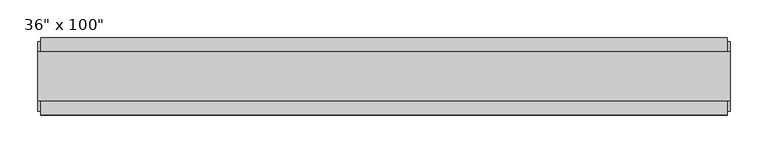
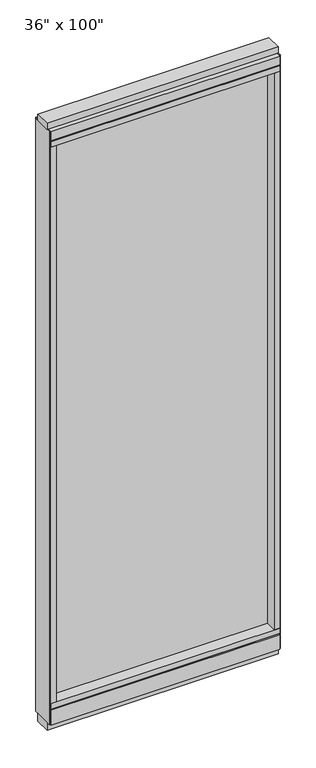
"""IFC4 building model written with IfcOpenShell, lengths in millimetres: furniture geometry."""

import ifcopenshell
import ifcopenshell.guid

model = None  # the IFC model being written
_history = None  # IfcOwnerHistory: only IFC2X3 demands one
_inside = {}  # id of a spatial element -> (the spatial element, [elements in it])
_under = {}  # id of a project, library or spatial element -> (it, [spatial elements below it])
_declared = {}  # id of a project -> (the project, [libraries it declares])
_typed = {}  # id of a type object -> (the type object, [elements of that type])
_made_of = {}  # id of a material, layer set ... -> (it, [elements and type objects made of it])


def new_model(schema):
    """Start an empty IFC model of exactly this schema.

    Asked for "IFC4X3", IfcOpenShell would pick the latest addendum, in which some entities
    have other attributes; the version numbers below select the first issue.
    IFC2X3 requires an IfcOwnerHistory on every rooted entity: one is made here for all.
    """
    global model, _history
    if schema == "IFC4X3":
        model = ifcopenshell.file(schema_version=(4, 3, 0, 0))
    else:
        model = ifcopenshell.file(schema=schema)
    _inside.clear()
    _under.clear()
    _declared.clear()
    _typed.clear()
    _made_of.clear()
    _history = None
    if model.schema == "IFC2X3":
        org = make("IfcOrganization", Name="unknown")
        user = make(
            "IfcPersonAndOrganization",
            ThePerson=make("IfcPerson", FamilyName="unknown"),
            TheOrganization=org,
        )
        app = make(
            "IfcApplication",
            ApplicationDeveloper=org,
            Version="unknown",
            ApplicationFullName="unknown",
            ApplicationIdentifier="unknown",
        )
        _history = make(
            "IfcOwnerHistory",
            OwningUser=user,
            OwningApplication=app,
            ChangeAction="ADDED",
            CreationDate=0,
        )
    return model


def make(cls, **values):
    """One entity of the class cls with the attributes given. An attribute that is None is left unset."""
    return model.create_entity(
        cls, **{name: value for name, value in values.items() if value is not None}
    )


def rooted(cls, **values):
    """An entity with a GlobalId (a new one), such as an element, a storey or a relation."""
    return make(cls, GlobalId=ifcopenshell.guid.new(), OwnerHistory=_history, **values)


def si_unit(unit_type, name, prefix=None):
    """IfcSIUnit, for example si_unit("LENGTHUNIT", "METRE", prefix="MILLI")."""
    return make("IfcSIUnit", UnitType=unit_type, Prefix=prefix, Name=name)


def assignment(units):
    """IfcUnitAssignment: the units of a project."""
    return None if units is None else make("IfcUnitAssignment", Units=units)


def point(xyz):
    """IfcCartesianPoint."""
    return None if xyz is None else make("IfcCartesianPoint", Coordinates=xyz)


def direction(xyz):
    """IfcDirection."""
    return None if xyz is None else make("IfcDirection", DirectionRatios=xyz)


def frame(location, z_axis=None, x_axis=None):
    """IfcAxis2Placement3D, a coordinate frame: its origin and axes. An axis left out is left unset."""
    return make(
        "IfcAxis2Placement3D",
        Location=point(location),
        Axis=direction(z_axis),
        RefDirection=direction(x_axis),
    )


def origin():
    """The frame at (0, 0, 0) with its axes left unset."""
    return frame((0.0, 0.0, 0.0))


def origin_with_axes():
    """The frame at (0, 0, 0) with the z axis (0, 0, 1) and the x axis (1, 0, 0) written out."""
    return frame((0.0, 0.0, 0.0), z_axis=(0.0, 0.0, 1.0), x_axis=(1.0, 0.0, 0.0))


def place(relative_to, where):
    """IfcLocalPlacement: puts the frame where relative to a parent placement (None: the world)."""
    return make(
        "IfcLocalPlacement", PlacementRelTo=relative_to, RelativePlacement=where
    )


def context(
    kind, dimensions, precision=None, world=None, true_north=None, identifier=None
):
    """IfcGeometricRepresentationContext, for example the 3D "Model" context."""
    return make(
        "IfcGeometricRepresentationContext",
        ContextIdentifier=identifier,
        ContextType=kind,
        CoordinateSpaceDimension=dimensions,
        Precision=precision,
        WorldCoordinateSystem=world,
        TrueNorth=true_north,
    )


def project(units=None, contexts=None):
    """IfcProject with its units and contexts."""
    return rooted(
        "IfcProject",
        Name="project",
        RepresentationContexts=contexts,
        UnitsInContext=assignment(units),
    )


def spatial(cls, under=None, at=None, **own):
    """A site, building, storey or space (cls), placed at a placement, below another one or the project."""
    s = rooted(cls, ObjectPlacement=at, **own)
    if under is not None:
        _under.setdefault(under.id(), (under, []))[1].append(s)
    return s


def polyline(points):
    """IfcPolyline through the points."""
    return make("IfcPolyline", Points=[point(p) for p in points])


def outline(outer, holes=None, kind="AREA"):
    """IfcArbitraryClosedProfileDef: a profile drawn as a closed curve; with holes, ...WithVoids."""
    if holes is None:
        return make("IfcArbitraryClosedProfileDef", ProfileType=kind, OuterCurve=outer)
    return make(
        "IfcArbitraryProfileDefWithVoids",
        ProfileType=kind,
        OuterCurve=outer,
        InnerCurves=holes,
    )


def extrude(swept, where, along, depth):
    """IfcExtrudedAreaSolid: the profile swept, set in the frame where, extruded along a direction by depth."""
    return make(
        "IfcExtrudedAreaSolid",
        SweptArea=swept,
        Position=where,
        ExtrudedDirection=direction(along),
        Depth=depth,
    )


def shape(context_of_items, identifier, shape_type, items):
    """IfcShapeRepresentation: the items that make up one representation, for example the "Body"."""
    return make(
        "IfcShapeRepresentation",
        ContextOfItems=context_of_items,
        RepresentationIdentifier=identifier,
        RepresentationType=shape_type,
        Items=items,
    )


def source(mapping_origin, context_of_items, identifier, shape_type, items):
    """IfcRepresentationMap: a shape defined once, which mapped items show again and again."""
    return make(
        "IfcRepresentationMap",
        MappingOrigin=mapping_origin,
        MappedRepresentation=shape(context_of_items, identifier, shape_type, items),
    )


def transform(
    local_origin,
    x_axis=None,
    y_axis=None,
    z_axis=None,
    scale=None,
    scale2=None,
    scale3=None,
    uniform=True,
):
    """IfcCartesianTransformationOperator3D, or its non-uniform kind. x_axis, y_axis, z_axis: its Axis1, 2, 3."""
    if uniform:
        return make(
            "IfcCartesianTransformationOperator3D",
            Axis1=direction(x_axis),
            Axis2=direction(y_axis),
            LocalOrigin=point(local_origin),
            Scale=scale,
            Axis3=direction(z_axis),
        )
    return make(
        "IfcCartesianTransformationOperator3DnonUniform",
        Axis1=direction(x_axis),
        Axis2=direction(y_axis),
        LocalOrigin=point(local_origin),
        Scale=scale,
        Axis3=direction(z_axis),
        Scale2=scale2,
        Scale3=scale3,
    )


def mapped(mapping_source, mapping_target):
    """IfcMappedItem: shows the shape of a source again, moved by a transform."""
    return make(
        "IfcMappedItem", MappingSource=mapping_source, MappingTarget=mapping_target
    )


def made_of(thing, what):
    """Note that an element or type object is made of a material, layer set ...; save() writes the relation."""
    if what is not None:
        _made_of.setdefault(what.id(), (what, []))[1].append(thing)
    return thing


def element(
    cls,
    number,
    at=None,
    inside=None,
    cuts=None,
    type_object=None,
    material=None,
    context=None,
    identifier="Body",
    shape_type=None,
    held_by="IfcProductDefinitionShape",
    body=None,
    shapes=None,
    **own,
):
    """One element of the class cls, such as IfcWall. Its Tag is "e" and its number.

    at: its placement. inside: the storey or other place that contains it. cuts: it is an
    opening in that element (IfcRelVoidsElement). A single representation is given by context,
    identifier, shape_type and body (its items); several are given by shapes. held_by: the class
    of the entity that holds the representations. save() writes the other relations.
    """
    e = rooted(cls, Tag="e%d" % number, ObjectPlacement=at, **own)
    if body is not None:
        shapes = [shape(context, identifier, shape_type, body)]
    if shapes is not None:
        e.Representation = make(held_by, Representations=shapes)
    if inside is not None:
        _inside.setdefault(inside.id(), (inside, []))[1].append(e)
    if cuts is not None:
        rooted(
            "IfcRelVoidsElement", RelatingBuildingElement=cuts, RelatedOpeningElement=e
        )
    if type_object is not None:
        _typed.setdefault(type_object.id(), (type_object, []))[1].append(e)
    return made_of(e, material)


def aggregate(whole, parts):
    """IfcRelAggregates: a whole, such as a stair, and the parts it consists of."""
    return rooted("IfcRelAggregates", RelatingObject=whole, RelatedObjects=parts)


def save(model, path):
    """Write the relations noted so far, then the file.

    IfcRelAggregates (storeys below a building ...), IfcRelContainedInSpatialStructure (elements
    in a storey), IfcRelDefinesByType, IfcRelAssociatesMaterial and IfcRelDeclares: one each for
    every whole, place, type object, material and project.
    """
    for whole, parts in _under.values():
        aggregate(whole, parts)
    for where, things in _inside.values():
        rooted(
            "IfcRelContainedInSpatialStructure",
            RelatedElements=things,
            RelatingStructure=where,
        )
    for kind, things in _typed.values():
        rooted("IfcRelDefinesByType", RelatedObjects=things, RelatingType=kind)
    for what, things in _made_of.values():
        rooted("IfcRelAssociatesMaterial", RelatedObjects=things, RelatingMaterial=what)
    for by, libraries in _declared.values():
        rooted("IfcRelDeclares", RelatingContext=by, RelatedDefinitions=libraries)
    model.write(path)


def furniture_cd426962(model_context):
    return source(origin(), model_context, "Body", "SweptSolid", [
        extrude(outline(polyline([(371.0014771, 9.5977216), (371.0014771, -0.5622784), (-491.0745229, -0.5622784), (-491.0745229, 9.5977216), (371.0014771, 9.5977216)])), frame((0.0, 0.0, 120.523), z_axis=(0.0, 0.0, 1.0), x_axis=(1.0, 0.0, 0.0)), (0.0, 0.0, 1.0), 2330.577),
        extrude(outline(polyline([(55.3177216, 93.345), (55.3177216, 31.75), (-46.2822784, 31.75), (-46.2822784, 93.345), (-41.3292784, 93.345), (-41.3292784, 98.298), (50.3647216, 98.298), (50.3647216, 93.345), (55.3177216, 93.345)])), frame((-513.2995229, 0.0, 0.0), z_axis=(1.0, 0.0, 0.0), x_axis=(0.0, 1.0, 0.0)), (0.0, 0.0, 1.0), 906.526),
        extrude(outline(polyline([(-513.2995229, 55.3177216), (393.2264771, 55.3177216), (393.2264771, -46.2822784), (-513.2995229, -46.2822784), (-513.2995229, 55.3177216)])), frame((0.0, 0.0, 98.298), z_axis=(0.0, 0.0, 1.0), x_axis=(1.0, 0.0, 0.0)), (0.0, 0.0, 1.0), 22.225),
        extrude(outline(polyline([(397.1634771, -27.9942784), (-517.2365229, -27.9942784), (-517.2365229, 37.0297216), (397.1634771, 37.0297216), (397.1634771, -27.9942784)])), origin_with_axes(), (0.0, 0.0, 1.0), 31.75),
        extrude(outline(polyline([(-517.2365229, 37.0297216), (397.1634771, 37.0297216), (397.1634771, -27.9942784), (-517.2365229, -27.9942784), (-517.2365229, 37.0297216)])), frame((0.0, 0.0, 2514.6), z_axis=(0.0, 0.0, 1.0), x_axis=(1.0, 0.0, 0.0)), (0.0, 0.0, 1.0), 25.4),
        extrude(outline(polyline([(55.3177216, 2478.278), (50.3647216, 2478.278), (50.3647216, 2473.325), (-41.3292784, 2473.325), (-41.3292784, 2478.278), (-46.2822784, 2478.278), (-46.2822784, 2514.6), (55.3177216, 2514.6), (55.3177216, 2478.278)])), frame((-513.2995229, 0.0, 0.0), z_axis=(1.0, 0.0, 0.0), x_axis=(0.0, 1.0, 0.0)), (0.0, 0.0, 1.0), 906.526),
        extrude(outline(polyline([(393.2264771, -46.2822784), (-513.2995229, -46.2822784), (-513.2995229, 55.3177216), (393.2264771, 55.3177216), (393.2264771, -46.2822784)])), frame((0.0, 0.0, 2451.1), z_axis=(0.0, 0.0, 1.0), x_axis=(1.0, 0.0, 0.0)), (0.0, 0.0, 1.0), 22.225),
        extrude(outline(polyline([(371.0014771, 55.3177216), (393.2264771, 55.3177216), (393.2264771, -46.2822784), (371.0014771, -46.2822784), (371.0014771, 55.3177216)])), frame((0.0, 0.0, 120.523), z_axis=(0.0, 0.0, 1.0), x_axis=(1.0, 0.0, 0.0)), (0.0, 0.0, 1.0), 2330.577),
        extrude(outline(polyline([(-491.0745229, 55.3177216), (-491.0745229, -46.2822784), (-513.2995229, -46.2822784), (-513.2995229, 55.3177216), (-491.0745229, 55.3177216)])), frame((0.0, 0.0, 120.523), z_axis=(0.0, 0.0, 1.0), x_axis=(1.0, 0.0, 0.0)), (0.0, 0.0, 1.0), 2330.577),
        extrude(outline(polyline([(397.1634771, 50.3647216), (397.1634771, -41.3292784), (393.2264771, -41.3292784), (393.2264771, 50.3647216), (397.1634771, 50.3647216)])), frame((0.0, 0.0, 31.75), z_axis=(0.0, 0.0, 1.0), x_axis=(1.0, 0.0, 0.0)), (0.0, 0.0, 1.0), 2482.85),
        extrude(outline(polyline([(-517.2365229, 50.3647216), (-513.2995229, 50.3647216), (-513.2995229, -41.3292784), (-517.2365229, -41.3292784), (-517.2365229, 50.3647216)])), frame((0.0, 0.0, 31.75), z_axis=(0.0, 0.0, 1.0), x_axis=(1.0, 0.0, 0.0)), (0.0, 0.0, 1.0), 2482.85),
    ])


if __name__ == "__main__":
    model = new_model("IFC4")
    model_context = context("Model", 3, world=origin())
    ifc_project = project(units=[si_unit("LENGTHUNIT", "METRE", prefix="MILLI")], contexts=[model_context])
    site = spatial("IfcSite", under=ifc_project)
    building = spatial("IfcBuilding", under=site)
    placement = place(None, origin())
    furniture_shape = furniture_cd426962(model_context)
    element("IfcFurniture", 1, ObjectType="36\" x 100\"", at=placement, inside=building, context=model_context, shape_type="MappedRepresentation", body=[
        mapped(furniture_shape, transform((0.0, 0.0, 0.0), x_axis=(1.0, 0.0, 0.0), y_axis=(0.0, 1.0, 0.0), z_axis=(0.0, 0.0, 1.0))),
    ])
    save(model, "model.ifc")
